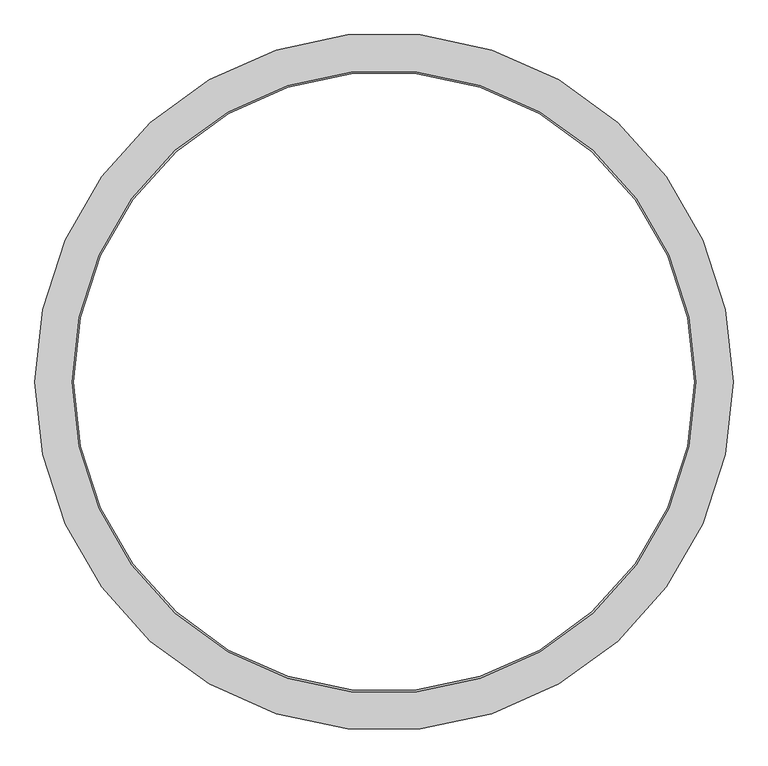
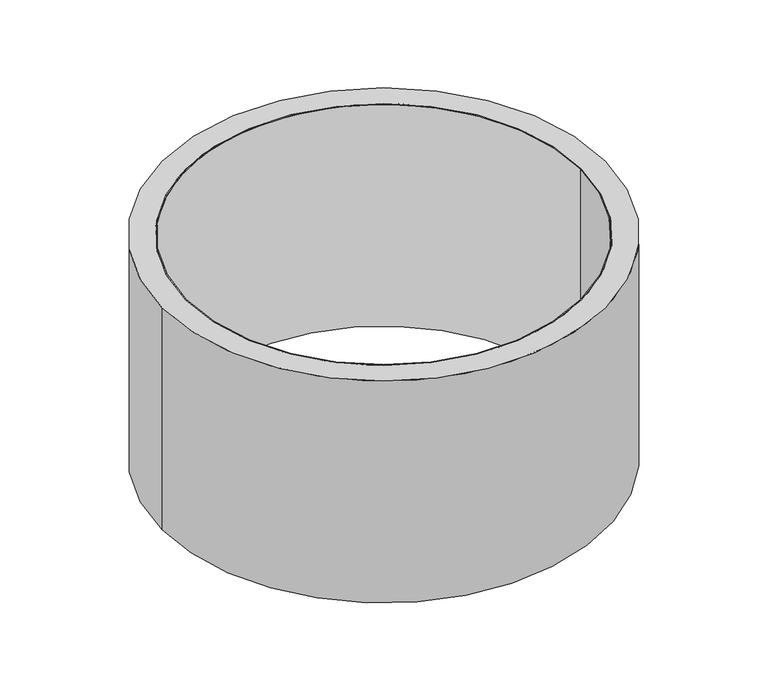
"""IFC4 building model written with IfcOpenShell, lengths in millimetres: proxy geometry."""

from ifc_helpers import new_model, si_unit, point, origin, origin_with_axes, origin_2d, place, context, project, spatial, circle_curve, trimmed, segment, composite_curve, outline, extrude, source, transform, mapped, element, save


def generic_models_235c0f96(model_context):
    return source(origin(), model_context, "Body", "SweptSolid", [
        extrude(outline(composite_curve([segment(trimmed(circle_curve(origin_2d(), 750.0), [point((-750.0, 0.0))], [point((750.0, 0.0))], False, "CARTESIAN"), True, "CONTINUOUS"), segment(trimmed(circle_curve(origin_2d(), 750.0), [point((750.0, 0.0))], [point((-750.0, 0.0))], False, "CARTESIAN"), True, "CONTINUOUS")], self_intersect=False), holes=[composite_curve([segment(trimmed(circle_curve(origin_2d(), 746.0), [point((-746.0, 0.0))], [point((746.0, 0.0))], True, "CARTESIAN"), True, "CONTINUOUS"), segment(trimmed(circle_curve(origin_2d(), 746.0), [point((746.0, 0.0))], [point((-746.0, 0.0))], True, "CARTESIAN"), True, "CONTINUOUS")], self_intersect=False)]), origin_with_axes(), (0.0, 0.0, 1.0), 890.0),
        extrude(outline(composite_curve([segment(trimmed(circle_curve(origin_2d(), 840.0), [point((-840.0, 0.0))], [point((840.0, 0.0))], False, "CARTESIAN"), True, "CONTINUOUS"), segment(trimmed(circle_curve(origin_2d(), 840.0), [point((840.0, 0.0))], [point((-840.0, 0.0))], False, "CARTESIAN"), True, "CONTINUOUS")], self_intersect=False), holes=[composite_curve([segment(trimmed(circle_curve(origin_2d(), 750.0), [point((-750.0, 0.0))], [point((750.0, 0.0))], True, "CARTESIAN"), True, "CONTINUOUS"), segment(trimmed(circle_curve(origin_2d(), 750.0), [point((750.0, 0.0))], [point((-750.0, 0.0))], True, "CARTESIAN"), True, "CONTINUOUS")], self_intersect=False)]), origin_with_axes(), (0.0, 0.0, 1.0), 890.0),
    ])


if __name__ == "__main__":
    model = new_model("IFC4")
    model_context = context("Model", 3, world=origin())
    ifc_project = project(units=[si_unit("LENGTHUNIT", "METRE", prefix="MILLI")], contexts=[model_context])
    site = spatial("IfcSite", under=ifc_project)
    building = spatial("IfcBuilding", under=site)
    placement = place(None, origin())
    generic_models_shape = generic_models_235c0f96(model_context)
    element("IfcBuildingElementProxy", 1, Name="Generic Models", at=placement, inside=building, context=model_context, shape_type="MappedRepresentation", body=[
        mapped(generic_models_shape, transform((0.0, 0.0, 0.0), x_axis=(1.0, 0.0, 0.0), y_axis=(0.0, 1.0, 0.0), z_axis=(0.0, 0.0, 1.0))),
    ])
    save(model, "model.ifc")
